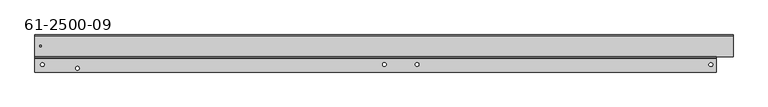
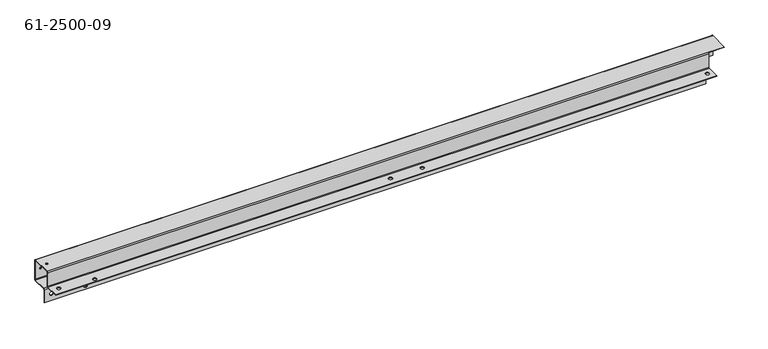
"""IFC4 building model written with IfcOpenShell, lengths in millimetres: proxy geometry, 61-2500-09."""

from ifc_helpers import new_model, si_unit, frame, origin, place, context, project, spatial, polyline, circle_curve, source, transform, mapped, element, save
from ifc_brep_helpers import plane_surface, cylinder_surface, revolved_surface, advanced_brep


def proxy_61_2500_09_136c01cd(model_context):
    return source(origin(), model_context, "Body", "AdvancedBrep", [
        advanced_brep(
        [(-18.278005, 21.3284177, -22.00656), (-18.278005, 22.1818577, -22.00656), (-24.628005, 22.1818577, -22.00656), (-24.628005, 21.3284177, -22.00656), (41.691395, 21.3284177, -28.28036), (41.691395, 22.1818577, -28.28036), (35.341395, 22.1818577, -28.28036), (35.341395, 21.3284177, -28.28036), (566.556995, 21.3284177, -21.75256), (566.556995, 22.1818577, -21.75256), (560.206995, 22.1818577, -21.75256), (560.206995, 21.3284177, -21.75256), (622.462395, 21.3284177, -21.75256), (622.462395, 22.1818577, -21.75256), (616.112395, 22.1818577, -21.75256), (616.112395, 21.3284177, -21.75256), (1124.721995, 21.3284177, -22.00656), (1124.721995, 22.1818577, -22.00656), (1118.371995, 22.1818577, -22.00656), (1118.371995, 21.3284177, -22.00656), (-18.278005, -0.6781423, 0.0), (-18.278005, -0.6781423, 0.85344), (-24.628005, -0.6781423, 0.85344), (-24.628005, -0.6781423, 0.0), (41.691395, -6.9519423, 0.0), (41.691395, -6.9519423, 0.85344), (35.341395, -6.9519423, 0.85344), (35.341395, -6.9519423, 0.0), (566.556995, -0.4241423, 0.0), (566.556995, -0.4241423, 0.85344), (560.206995, -0.4241423, 0.85344), (560.206995, -0.4241423, 0.0), (622.462395, -0.4241423, 0.0), (622.462395, -0.4241423, 0.85344), (616.112395, -0.4241423, 0.85344), (616.112395, -0.4241423, 0.0), (1124.721995, -0.6781423, 0.0), (1124.721995, -0.6781423, 0.85344), (1118.371995, -0.6781423, 0.85344), (1118.371995, -0.6781423, 0.0), (-23.101465, 31.0566177, 27.94), (-23.101465, 31.0566177, 28.79344), (-26.149465, 31.0566177, 28.79344), (-26.149465, 31.0566177, 27.94), (-23.101465, 49.2684177, 9.7536), (-23.101465, 50.1218577, 9.7536), (-26.149465, 50.1218577, 9.7536), (-26.149465, 49.2684177, 9.7536), (1159.646995, 12.8752977, 27.94), (1159.646995, 12.8752977, 28.79344), (1131.071995, 12.8752977, 28.79344), (1131.071995, 12.8752977, 27.94), (1159.646995, 50.1218577, -8.45312), (1159.646995, 49.2684177, -8.45312), (1131.071995, 49.2684177, -8.45312), (1131.071995, 50.1218577, -8.45312), (1159.646995, 48.4149777, 27.94), (1159.646995, 49.2684177, 27.08656), (1159.646995, 50.1218577, 27.08656), (1159.646995, 48.4149777, 28.79344), (-34.153005, 21.3284177, -11.01344), (1131.071995, 21.3284177, -11.01344), (1131.071995, 23.0352977, -9.30656), (-34.153005, 23.0352977, -9.30656), (-34.153005, 22.1818577, -11.01344), (-34.153005, 22.1818577, -34.70656), (-34.153005, 21.3284177, -34.70656), (1131.071995, 22.1818577, -11.01344), (1131.071995, 22.1818577, -34.70656), (1131.071995, 23.0352977, -10.16), (-34.153005, 23.0352977, -10.16), (1131.071995, 21.3284177, -34.70656), (-34.153005, 48.4149777, -9.30656), (-34.153005, 48.4149777, -10.16), (1131.071995, 48.4149777, -9.30656), (1131.071995, 48.4149777, -10.16), (-34.153005, 50.1218577, -8.45312), (-34.153005, 49.2684177, -8.45312), (-34.153005, 49.2684177, 27.08656), (-34.153005, 50.1218577, 27.08656), (-34.153005, 48.4149777, 28.79344), (-34.153005, 48.4149777, 27.94), (-34.153005, 12.8752977, 27.94), (-34.153005, 12.8752977, 28.79344), (-34.153005, 11.1684177, 27.08656), (1131.071995, 11.1684177, 27.08656), (-34.153005, 12.0218577, 27.08656), (1131.071995, 12.0218577, 27.08656), (1131.071995, 11.1684177, 1.70688), (1131.071995, 12.0218577, 1.70688), (-34.153005, 11.1684177, 1.70688), (-34.153005, 12.0218577, 1.70688), (1131.071995, 10.3149777, 0.0), (-34.153005, 10.3149777, 0.0), (1131.071995, 10.3149777, 0.85344), (-34.153005, 10.3149777, 0.85344), (-34.153005, -13.3781423, 0.0), (-34.153005, -13.3781423, 0.85344), (1131.071995, -13.3781423, 0.0), (1131.071995, -13.3781423, 0.85344)],
        [
            (0, 1),
            (1, 2, circle_curve(frame((-21.453005, 22.1818577, -22.00656), z_axis=(0.0, 1.0, 0.0), x_axis=(1.0, 0.0, 0.0)), 3.175)),
            (2, 3),
            (3, 0, circle_curve(frame((-21.453005, 21.3284177, -22.00656), z_axis=(0.0, -1.0, 0.0), x_axis=(1.0, 0.0, 0.0)), 3.175)),
            (4, 5),
            (5, 6, circle_curve(frame((38.516395, 22.1818577, -28.28036), z_axis=(0.0, 1.0, 0.0), x_axis=(1.0, 0.0, 0.0)), 3.175)),
            (6, 7),
            (7, 4, circle_curve(frame((38.516395, 21.3284177, -28.28036), z_axis=(0.0, -1.0, 0.0), x_axis=(1.0, 0.0, 0.0)), 3.175)),
            (8, 9),
            (9, 10, circle_curve(frame((563.381995, 22.1818577, -21.75256), z_axis=(0.0, 1.0, 0.0), x_axis=(1.0, 0.0, 0.0)), 3.175)),
            (10, 11),
            (11, 8, circle_curve(frame((563.381995, 21.3284177, -21.75256), z_axis=(0.0, -1.0, 0.0), x_axis=(1.0, 0.0, 0.0)), 3.175)),
            (12, 13),
            (13, 14, circle_curve(frame((619.287395, 22.1818577, -21.75256), z_axis=(0.0, 1.0, 0.0), x_axis=(1.0, 0.0, 0.0)), 3.175)),
            (14, 15),
            (15, 12, circle_curve(frame((619.287395, 21.3284177, -21.75256), z_axis=(0.0, -1.0, 0.0), x_axis=(1.0, 0.0, 0.0)), 3.175)),
            (16, 17),
            (17, 18, circle_curve(frame((1121.546995, 22.1818577, -22.00656), z_axis=(0.0, 1.0, 0.0), x_axis=(1.0, 0.0, 0.0)), 3.175)),
            (18, 19),
            (19, 16, circle_curve(frame((1121.546995, 21.3284177, -22.00656), z_axis=(0.0, -1.0, 0.0), x_axis=(1.0, 0.0, 0.0)), 3.175)),
            (20, 21),
            (21, 22, circle_curve(frame((-21.453005, -0.6781423, 0.85344), z_axis=(0.0, 0.0, 1.0), x_axis=(1.0, 0.0, 0.0)), 3.175)),
            (22, 23),
            (23, 20, circle_curve(frame((-21.453005, -0.6781423, 0.0), z_axis=(0.0, 0.0, -1.0), x_axis=(1.0, 0.0, 0.0)), 3.175)),
            (24, 25),
            (25, 26, circle_curve(frame((38.516395, -6.9519423, 0.85344), z_axis=(0.0, 0.0, 1.0), x_axis=(1.0, 0.0, 0.0)), 3.175)),
            (26, 27),
            (27, 24, circle_curve(frame((38.516395, -6.9519423, 0.0), z_axis=(0.0, 0.0, -1.0), x_axis=(1.0, 0.0, 0.0)), 3.175)),
            (28, 29),
            (29, 30, circle_curve(frame((563.381995, -0.4241423, 0.85344), z_axis=(0.0, 0.0, 1.0), x_axis=(1.0, 0.0, 0.0)), 3.175)),
            (30, 31),
            (31, 28, circle_curve(frame((563.381995, -0.4241423, 0.0), z_axis=(0.0, 0.0, -1.0), x_axis=(1.0, 0.0, 0.0)), 3.175)),
            (32, 33),
            (33, 34, circle_curve(frame((619.287395, -0.4241423, 0.85344), z_axis=(0.0, 0.0, 1.0), x_axis=(1.0, 0.0, 0.0)), 3.175)),
            (34, 35),
            (35, 32, circle_curve(frame((619.287395, -0.4241423, 0.0), z_axis=(0.0, 0.0, -1.0), x_axis=(1.0, 0.0, 0.0)), 3.175)),
            (36, 37),
            (37, 38, circle_curve(frame((1121.546995, -0.6781423, 0.85344), z_axis=(0.0, 0.0, 1.0), x_axis=(1.0, 0.0, 0.0)), 3.175)),
            (38, 39),
            (39, 36, circle_curve(frame((1121.546995, -0.6781423, 0.0), z_axis=(0.0, 0.0, -1.0), x_axis=(1.0, 0.0, 0.0)), 3.175)),
            (40, 41),
            (41, 42, circle_curve(frame((-24.625465, 31.0566177, 28.79344), z_axis=(0.0, 0.0, 1.0), x_axis=(1.0, 0.0, 0.0)), 1.524)),
            (42, 43),
            (43, 40, circle_curve(frame((-24.625465, 31.0566177, 27.94), z_axis=(0.0, 0.0, -1.0), x_axis=(1.0, 0.0, 0.0)), 1.524)),
            (44, 45),
            (45, 46, circle_curve(frame((-24.625465, 50.1218577, 9.7536), z_axis=(0.0, 1.0, 0.0), x_axis=(1.0, 0.0, 0.0)), 1.524)),
            (46, 47),
            (47, 44, circle_curve(frame((-24.625465, 49.2684177, 9.7536), z_axis=(0.0, -1.0, 0.0), x_axis=(1.0, 0.0, 0.0)), 1.524)),
            (44, 47, circle_curve(frame((-24.625465, 49.2684177, 9.7536), z_axis=(0.0, -1.0, 0.0), x_axis=(1.0, 0.0, 0.0)), 1.524)),
            (46, 45, circle_curve(frame((-24.625465, 50.1218577, 9.7536), z_axis=(0.0, 1.0, 0.0), x_axis=(1.0, 0.0, 0.0)), 1.524)),
            (40, 43, circle_curve(frame((-24.625465, 31.0566177, 27.94), z_axis=(0.0, 0.0, -1.0), x_axis=(1.0, 0.0, 0.0)), 1.524)),
            (42, 41, circle_curve(frame((-24.625465, 31.0566177, 28.79344), z_axis=(0.0, 0.0, 1.0), x_axis=(1.0, 0.0, 0.0)), 1.524)),
            (36, 39, circle_curve(frame((1121.546995, -0.6781423, 0.0), z_axis=(0.0, 0.0, -1.0), x_axis=(1.0, 0.0, 0.0)), 3.175)),
            (38, 37, circle_curve(frame((1121.546995, -0.6781423, 0.85344), z_axis=(0.0, 0.0, 1.0), x_axis=(1.0, 0.0, 0.0)), 3.175)),
            (32, 35, circle_curve(frame((619.287395, -0.4241423, 0.0), z_axis=(0.0, 0.0, -1.0), x_axis=(1.0, 0.0, 0.0)), 3.175)),
            (34, 33, circle_curve(frame((619.287395, -0.4241423, 0.85344), z_axis=(0.0, 0.0, 1.0), x_axis=(1.0, 0.0, 0.0)), 3.175)),
            (28, 31, circle_curve(frame((563.381995, -0.4241423, 0.0), z_axis=(0.0, 0.0, -1.0), x_axis=(1.0, 0.0, 0.0)), 3.175)),
            (30, 29, circle_curve(frame((563.381995, -0.4241423, 0.85344), z_axis=(0.0, 0.0, 1.0), x_axis=(1.0, 0.0, 0.0)), 3.175)),
            (24, 27, circle_curve(frame((38.516395, -6.9519423, 0.0), z_axis=(0.0, 0.0, -1.0), x_axis=(1.0, 0.0, 0.0)), 3.175)),
            (26, 25, circle_curve(frame((38.516395, -6.9519423, 0.85344), z_axis=(0.0, 0.0, 1.0), x_axis=(1.0, 0.0, 0.0)), 3.175)),
            (20, 23, circle_curve(frame((-21.453005, -0.6781423, 0.0), z_axis=(0.0, 0.0, -1.0), x_axis=(1.0, 0.0, 0.0)), 3.175)),
            (22, 21, circle_curve(frame((-21.453005, -0.6781423, 0.85344), z_axis=(0.0, 0.0, 1.0), x_axis=(1.0, 0.0, 0.0)), 3.175)),
            (16, 19, circle_curve(frame((1121.546995, 21.3284177, -22.00656), z_axis=(0.0, -1.0, 0.0), x_axis=(1.0, 0.0, 0.0)), 3.175)),
            (18, 17, circle_curve(frame((1121.546995, 22.1818577, -22.00656), z_axis=(0.0, 1.0, 0.0), x_axis=(1.0, 0.0, 0.0)), 3.175)),
            (12, 15, circle_curve(frame((619.287395, 21.3284177, -21.75256), z_axis=(0.0, -1.0, 0.0), x_axis=(1.0, 0.0, 0.0)), 3.175)),
            (14, 13, circle_curve(frame((619.287395, 22.1818577, -21.75256), z_axis=(0.0, 1.0, 0.0), x_axis=(1.0, 0.0, 0.0)), 3.175)),
            (8, 11, circle_curve(frame((563.381995, 21.3284177, -21.75256), z_axis=(0.0, -1.0, 0.0), x_axis=(1.0, 0.0, 0.0)), 3.175)),
            (10, 9, circle_curve(frame((563.381995, 22.1818577, -21.75256), z_axis=(0.0, 1.0, 0.0), x_axis=(1.0, 0.0, 0.0)), 3.175)),
            (4, 7, circle_curve(frame((38.516395, 21.3284177, -28.28036), z_axis=(0.0, -1.0, 0.0), x_axis=(1.0, 0.0, 0.0)), 3.175)),
            (6, 5, circle_curve(frame((38.516395, 22.1818577, -28.28036), z_axis=(0.0, 1.0, 0.0), x_axis=(1.0, 0.0, 0.0)), 3.175)),
            (0, 3, circle_curve(frame((-21.453005, 21.3284177, -22.00656), z_axis=(0.0, -1.0, 0.0), x_axis=(1.0, 0.0, 0.0)), 3.175)),
            (2, 1, circle_curve(frame((-21.453005, 22.1818577, -22.00656), z_axis=(0.0, 1.0, 0.0), x_axis=(1.0, 0.0, 0.0)), 3.175)),
            (48, 49),
            (49, 50),
            (50, 51),
            (51, 48),
            (52, 53),
            (53, 54),
            (54, 55),
            (55, 52),
            (56, 57, circle_curve(frame((1159.646995, 48.4149777, 27.08656), z_axis=(-1.0, 0.0, 0.0), x_axis=(0.0, 0.0, 1.0)), 0.85344)),
            (57, 53),
            (52, 58),
            (58, 59, circle_curve(frame((1159.646995, 48.4149777, 27.08656), z_axis=(1.0, 0.0, 0.0), x_axis=(0.0, 0.0, 1.0)), 1.70688)),
            (59, 49),
            (48, 56),
            (60, 61),
            (61, 62, circle_curve(frame((1131.071995, 23.0352977, -11.01344), z_axis=(-1.0, 0.0, 0.0), x_axis=(0.0, 0.0, 1.0)), 1.70688)),
            (62, 63),
            (63, 60, circle_curve(frame((-34.153005, 23.0352977, -11.01344), z_axis=(1.0, 0.0, 0.0), x_axis=(0.0, 0.0, 1.0)), 1.70688)),
            (60, 64),
            (64, 65),
            (65, 66),
            (66, 60),
            (64, 67),
            (67, 68),
            (68, 65),
            (61, 67),
            (67, 69, circle_curve(frame((1131.071995, 23.0352977, -11.01344), z_axis=(-1.0, 0.0, 0.0), x_axis=(0.0, 0.0, 1.0)), 0.85344)),
            (69, 62),
            (63, 70),
            (70, 64, circle_curve(frame((-34.153005, 23.0352977, -11.01344), z_axis=(1.0, 0.0, 0.0), x_axis=(0.0, 0.0, 1.0)), 0.85344)),
            (61, 71),
            (71, 68),
            (71, 66),
            (70, 69),
            (63, 72),
            (72, 73),
            (73, 70),
            (62, 74),
            (74, 72),
            (75, 73),
            (73, 76, circle_curve(frame((-34.153005, 48.4149777, -8.45312), z_axis=(1.0, 0.0, 0.0), x_axis=(0.0, 1.0, 0.0)), 1.70688)),
            (76, 55),
            (55, 75, circle_curve(frame((1131.071995, 48.4149777, -8.45312), z_axis=(-1.0, 0.0, 0.0), x_axis=(0.0, 1.0, 0.0)), 1.70688)),
            (69, 75),
            (75, 74),
            (72, 77, circle_curve(frame((-34.153005, 48.4149777, -8.45312), z_axis=(1.0, 0.0, 0.0), x_axis=(0.0, 1.0, 0.0)), 0.85344)),
            (77, 76),
            (54, 74, circle_curve(frame((1131.071995, 48.4149777, -8.45312), z_axis=(-1.0, 0.0, 0.0), x_axis=(0.0, 1.0, 0.0)), 0.85344)),
            (54, 77),
            (77, 78),
            (78, 79),
            (79, 76),
            (57, 78),
            (58, 79),
            (79, 80, circle_curve(frame((-34.153005, 48.4149777, 27.08656), z_axis=(1.0, 0.0, 0.0), x_axis=(0.0, 0.0, 1.0)), 1.70688)),
            (80, 59),
            (78, 81, circle_curve(frame((-34.153005, 48.4149777, 27.08656), z_axis=(1.0, 0.0, 0.0), x_axis=(0.0, 0.0, 1.0)), 0.85344)),
            (81, 80),
            (56, 81),
            (81, 82),
            (82, 83),
            (83, 80),
            (51, 82),
            (50, 83),
            (83, 84, circle_curve(frame((-34.153005, 12.8752977, 27.08656), z_axis=(1.0, 0.0, 0.0), x_axis=(0.0, -1.0, 0.0)), 1.70688)),
            (84, 85),
            (85, 50, circle_curve(frame((1131.071995, 12.8752977, 27.08656), z_axis=(-1.0, 0.0, 0.0), x_axis=(0.0, -1.0, 0.0)), 1.70688)),
            (82, 86, circle_curve(frame((-34.153005, 12.8752977, 27.08656), z_axis=(1.0, 0.0, 0.0), x_axis=(0.0, -1.0, 0.0)), 0.85344)),
            (86, 84),
            (85, 87),
            (87, 51, circle_curve(frame((1131.071995, 12.8752977, 27.08656), z_axis=(-1.0, 0.0, 0.0), x_axis=(0.0, -1.0, 0.0)), 0.85344)),
            (87, 86),
            (85, 88),
            (88, 89),
            (89, 87),
            (84, 90),
            (90, 88),
            (91, 89),
            (89, 92, circle_curve(frame((1131.071995, 10.3149777, 1.70688), z_axis=(-1.0, 0.0, 0.0), x_axis=(0.0, 0.0, -1.0)), 1.70688)),
            (92, 93),
            (93, 91, circle_curve(frame((-34.153005, 10.3149777, 1.70688), z_axis=(1.0, 0.0, 0.0), x_axis=(0.0, 0.0, -1.0)), 1.70688)),
            (86, 91),
            (91, 90),
            (88, 94, circle_curve(frame((1131.071995, 10.3149777, 1.70688), z_axis=(-1.0, 0.0, 0.0), x_axis=(0.0, 0.0, -1.0)), 0.85344)),
            (94, 92),
            (93, 95),
            (95, 90, circle_curve(frame((-34.153005, 10.3149777, 1.70688), z_axis=(1.0, 0.0, 0.0), x_axis=(0.0, 0.0, -1.0)), 0.85344)),
            (95, 94),
            (93, 96),
            (96, 97),
            (97, 95),
            (92, 98),
            (98, 96),
            (94, 99),
            (99, 98),
            (99, 97),
        ],
        [
            revolved_surface(polyline([(-18.278005, 22.18185769999991, -22.00656), (-18.278005, 21.328417700000045, -22.00656)]), (-21.453005, -1174.9910371, -22.00656), (0.0, 1.0, 0.0)),
            revolved_surface(polyline([(41.691395, 22.18185769999991, -28.28036), (41.691395, 21.328417700000045, -28.28036)]), (38.516395, -1174.9910371, -28.28036), (0.0, 1.0, 0.0)),
            revolved_surface(polyline([(566.5569949999999, 22.18185769999991, -21.75256), (566.5569949999999, 21.328417700000045, -21.75256)]), (563.381995, -1174.9910371, -21.75256), (0.0, 1.0, 0.0)),
            revolved_surface(polyline([(622.4623949999999, 22.18185769999991, -21.75256), (622.4623949999999, 21.328417700000045, -21.75256)]), (619.287395, -1174.9910371, -21.75256), (0.0, 1.0, 0.0)),
            revolved_surface(polyline([(1124.7219949999999, 22.18185769999991, -22.00656), (1124.7219949999999, 21.328417700000045, -22.00656)]), (1121.546995, -1174.9910371, -22.00656), (0.0, 1.0, 0.0)),
            revolved_surface(polyline([(-18.278005, -0.6781423, 0.8534400000000915), (-18.278005, -0.6781423, 0.0)]), (-21.453005, -0.6781423, -1196.3194548), (0.0, 0.0, 1.0)),
            revolved_surface(polyline([(41.691395, -6.9519423, 0.8534400000000915), (41.691395, -6.9519423, 0.0)]), (38.516395, -6.9519423, -1196.3194548), (0.0, 0.0, 1.0)),
            revolved_surface(polyline([(566.5569949999999, -0.4241423, 0.8534400000000915), (566.5569949999999, -0.4241423, 0.0)]), (563.381995, -0.4241423, -1196.3194548), (0.0, 0.0, 1.0)),
            revolved_surface(polyline([(622.4623949999999, -0.4241423, 0.8534400000000915), (622.4623949999999, -0.4241423, 0.0)]), (619.287395, -0.4241423, -1196.3194548), (0.0, 0.0, 1.0)),
            revolved_surface(polyline([(1124.7219949999999, -0.6781423, 0.8534400000000915), (1124.7219949999999, -0.6781423, 0.0)]), (1121.546995, -0.6781423, -1196.3194548), (0.0, 0.0, 1.0)),
            revolved_surface(polyline([(-23.101464999999997, 31.0566177, 28.79344), (-23.101464999999997, 31.0566177, 27.94)]), (-24.625465, 31.0566177, 28.36672), (0.0, 0.0, 1.0)),
            revolved_surface(polyline([(-23.101464999999997, 50.1218577, 9.7536), (-23.101464999999997, 49.2684177, 9.7536)]), (-24.625465, 49.6951377, 9.7536), (0.0, 1.0, 0.0)),
            plane_surface(frame((1131.071995, 12.8752977, 27.94), z_axis=(0.0, -1.0, 0.0), x_axis=(0.0, 0.0, -1.0))),
            plane_surface(frame((1131.071995, 50.1218577, -8.45312), z_axis=(0.0, 0.0, -1.0), x_axis=(-1.0, 0.0, 0.0))),
            plane_surface(frame((1159.646995, 49.2278225, 27.8994048), z_axis=(1.0, 0.0, 0.0), x_axis=(0.0, 0.0, -1.0))),
            cylinder_surface(frame((548.459495, 23.0352977, -11.01344), z_axis=(1.0, 0.0, 0.0), x_axis=(0.0, 0.0, 1.0)), 1.70688),
            plane_surface(frame((-34.153005, 22.1818577, -11.01344), z_axis=(-1.0, 0.0, 0.0), x_axis=(0.0, -1.0, 0.0))),
            plane_surface(frame((548.459495, 22.1818577, -21.8947821), z_axis=(0.0, 1.0, 0.0), x_axis=(1.0, 0.0, 0.0))),
            plane_surface(frame((1131.071995, 22.1818577, -11.01344), z_axis=(1.0, 0.0, 0.0), x_axis=(0.0, 0.0, -1.0))),
            plane_surface(frame((-34.153005, 21.3284177, -11.01344), z_axis=(-1.0, 0.0, 0.0), x_axis=(0.0, 0.0, 1.0))),
            plane_surface(frame((1131.071995, 22.1818577, -11.01344), z_axis=(1.0, 0.0, 0.0), x_axis=(0.0, 1.0, 0.0))),
            plane_surface(frame((1131.071995, 22.1818577, -34.70656), z_axis=(0.0, 0.0, -1.0), x_axis=(0.0, 1.0, 0.0))),
            plane_surface(frame((548.459495, 21.3284177, -21.8947821), z_axis=(0.0, -1.0, 0.0), x_axis=(1.0, 0.0, 0.0))),
            revolved_surface(polyline([(1131.071995, 23.0352977, -10.16), (-34.15300500000001, 23.0352977, -10.16)]), (548.459495, 23.0352977, -11.01344), (1.0, 0.0, 0.0)),
            plane_surface(frame((-34.153005, 48.4149777, -9.30656), z_axis=(-1.0, 0.0, 0.0), x_axis=(0.0, 1.0, 0.0))),
            plane_surface(frame((548.459495, 36.2636356, -9.30656), z_axis=(0.0, 0.0, 1.0), x_axis=(0.0, 1.0, 0.0))),
            cylinder_surface(frame((548.459495, 48.4149777, -8.45312), z_axis=(-1.0, 0.0, 0.0), x_axis=(0.0, 1.0, 0.0)), 1.70688),
            plane_surface(frame((1131.071995, 48.4149777, -9.30656), z_axis=(1.0, 0.0, 0.0), x_axis=(0.0, -1.0, 0.0))),
            plane_surface(frame((-34.153005, 48.4149777, -9.30656), z_axis=(-1.0, 0.0, 0.0), x_axis=(0.0, 0.0, 1.0))),
            plane_surface(frame((1131.071995, 48.4149777, -10.16), z_axis=(1.0, 0.0, 0.0), x_axis=(0.0, 0.0, -1.0))),
            plane_surface(frame((548.459495, 36.2636356, -10.16), z_axis=(0.0, 0.0, -1.0), x_axis=(0.0, 1.0, 0.0))),
            revolved_surface(polyline([(-34.15300500000001, 49.2684177, -8.45312), (1131.071995, 49.2684177, -8.45312)]), (548.459495, 48.4149777, -8.45312), (-1.0, 0.0, 0.0)),
            plane_surface(frame((-34.153005, 49.2684177, 27.08656), z_axis=(-1.0, 0.0, 0.0), x_axis=(0.0, 1.0, 0.0))),
            plane_surface(frame((548.459495, 49.2684177, 9.8552179), z_axis=(0.0, -1.0, 0.0), x_axis=(1.0, 0.0, 0.0))),
            cylinder_surface(frame((548.459495, 48.4149777, 27.08656), z_axis=(-1.0, 0.0, 0.0), x_axis=(0.0, 0.0, 1.0)), 1.70688),
            plane_surface(frame((-34.153005, 49.2684177, 27.08656), z_axis=(-1.0, 0.0, 0.0), x_axis=(0.0, 0.0, 1.0))),
            plane_surface(frame((548.459495, 50.1218577, 9.8552179), z_axis=(0.0, 1.0, 0.0), x_axis=(1.0, 0.0, 0.0))),
            revolved_surface(polyline([(-34.15300500000001, 48.4149777, 27.939999999999998), (1159.646995, 48.4149777, 27.939999999999998)]), (548.459495, 48.4149777, 27.08656), (-1.0, 0.0, 0.0)),
            plane_surface(frame((-34.153005, 12.8752977, 27.94), z_axis=(-1.0, 0.0, 0.0), x_axis=(0.0, 1.0, 0.0))),
            plane_surface(frame((548.459495, 30.1066398, 27.94), z_axis=(0.0, 0.0, -1.0), x_axis=(0.0, 1.0, 0.0))),
            cylinder_surface(frame((548.459495, 12.8752977, 27.08656), z_axis=(-1.0, 0.0, 0.0), x_axis=(0.0, -1.0, 0.0)), 1.70688),
            plane_surface(frame((-34.153005, 12.8752977, 27.94), z_axis=(-1.0, 0.0, 0.0), x_axis=(0.0, 0.0, 1.0))),
            plane_surface(frame((1131.071995, 12.8752977, 28.79344), z_axis=(1.0, 0.0, 0.0), x_axis=(0.0, 0.0, -1.0))),
            plane_surface(frame((548.459495, 30.1066398, 28.79344), z_axis=(0.0, 0.0, 1.0), x_axis=(0.0, 1.0, 0.0))),
            revolved_surface(polyline([(-34.15300500000001, 12.021857700000002, 27.08656), (1131.071995, 12.021857700000002, 27.08656)]), (548.459495, 12.8752977, 27.08656), (-1.0, 0.0, 0.0)),
            plane_surface(frame((1131.071995, 11.1684177, 1.70688), z_axis=(1.0, 0.0, 0.0), x_axis=(0.0, 1.0, 0.0))),
            plane_surface(frame((548.459495, 11.1684177, 13.8582221), z_axis=(0.0, -1.0, 0.0), x_axis=(1.0, 0.0, 0.0))),
            cylinder_surface(frame((548.459495, 10.3149777, 1.70688), z_axis=(1.0, 0.0, 0.0), x_axis=(0.0, 0.0, -1.0)), 1.70688),
            plane_surface(frame((-34.153005, 11.1684177, 1.70688), z_axis=(-1.0, 0.0, 0.0), x_axis=(0.0, -1.0, 0.0))),
            plane_surface(frame((1131.071995, 11.1684177, 1.70688), z_axis=(1.0, 0.0, 0.0), x_axis=(0.0, 0.0, -1.0))),
            plane_surface(frame((-34.153005, 12.0218577, 1.70688), z_axis=(-1.0, 0.0, 0.0), x_axis=(0.0, 0.0, 1.0))),
            plane_surface(frame((548.459495, 12.0218577, 13.8582221), z_axis=(0.0, 1.0, 0.0), x_axis=(1.0, 0.0, 0.0))),
            revolved_surface(polyline([(1131.071995, 10.3149777, 0.85344), (-34.15300500000001, 10.3149777, 0.85344)]), (548.459495, 10.3149777, 1.70688), (1.0, 0.0, 0.0)),
            plane_surface(frame((-34.153005, -13.3781423, 0.0), z_axis=(-1.0, 0.0, 0.0), x_axis=(0.0, 0.0, 1.0))),
            plane_surface(frame((548.459495, -0.6781423, 0.0), z_axis=(0.0, 0.0, -1.0), x_axis=(1.0, 0.0, 0.0))),
            plane_surface(frame((1131.071995, 12.0218577, 0.0), z_axis=(1.0, 0.0, 0.0), x_axis=(0.0, 0.0, -1.0))),
            plane_surface(frame((1131.071995, -13.3781423, 0.0), z_axis=(0.0, -1.0, 0.0), x_axis=(0.0, 0.0, -1.0))),
            plane_surface(frame((548.459495, -0.6781423, 0.85344), z_axis=(0.0, 0.0, 1.0), x_axis=(1.0, 0.0, 0.0))),
        ],
        [
            (0, [[1, 2, 3, 4]]),
            (1, [[5, 6, 7, 8]]),
            (2, [[9, 10, 11, 12]]),
            (3, [[13, 14, 15, 16]]),
            (4, [[17, 18, 19, 20]]),
            (5, [[21, 22, 23, 24]]),
            (6, [[25, 26, 27, 28]]),
            (7, [[29, 30, 31, 32]]),
            (8, [[33, 34, 35, 36]]),
            (9, [[37, 38, 39, 40]]),
            (10, [[41, 42, 43, 44]]),
            (11, [[45, 46, 47, 48]]),
            (11, [[-45, 49, -47, 50]]),
            (10, [[-41, 51, -43, 52]]),
            (9, [[-37, 53, -39, 54]]),
            (8, [[-33, 55, -35, 56]]),
            (7, [[-29, 57, -31, 58]]),
            (6, [[-25, 59, -27, 60]]),
            (5, [[-21, 61, -23, 62]]),
            (4, [[-17, 63, -19, 64]]),
            (3, [[-13, 65, -15, 66]]),
            (2, [[-9, 67, -11, 68]]),
            (1, [[-5, 69, -7, 70]]),
            (0, [[-1, 71, -3, 72]]),
            (12, [[73, 74, 75, 76]]),
            (13, [[77, 78, 79, 80]]),
            (14, [[81, 82, -77, 83, 84, 85, -73, 86]]),
            (15, [[87, 88, 89, 90]]),
            (16, [[91, 92, 93, 94]]),
            (17, [[95, 96, 97, -92], [-64, -18], [-66, -14], [-68, -10], [-70, -6], [-72, -2]]),
            (18, [[98, 99, 100, -88]]),
            (19, [[-91, -90, 101, 102]]),
            (20, [[-98, 103, 104, -96]]),
            (21, [[105, -93, -97, -104]]),
            (22, [[-87, -94, -105, -103], [-63, -20], [-65, -16], [-67, -12], [-69, -8], [-71, -4]]),
            (23, [[-95, -102, 106, -99]]),
            (24, [[-101, 107, 108, 109]]),
            (25, [[-89, 110, 111, -107]]),
            (26, [[112, 113, 114, 115]]),
            (27, [[-100, 116, 117, -110]]),
            (28, [[-108, 118, 119, -113]]),
            (29, [[-117, -115, -79, 120]]),
            (30, [[-106, -109, -112, -116]]),
            (31, [[-111, -120, 121, -118]]),
            (32, [[-119, 122, 123, 124]]),
            (33, [[-121, -78, -82, 125, -122], [-48, -49]]),
            (34, [[126, 127, 128, -84]]),
            (35, [[-123, 129, 130, -127]]),
            (36, [[-114, -124, -126, -83, -80], [-50, -46]]),
            (37, [[-125, -81, 131, -129]]),
            (38, [[-130, 132, 133, 134]]),
            (39, [[-131, -86, -76, 135, -132], [-44, -51]]),
            (40, [[136, 137, 138, 139]]),
            (41, [[-133, 140, 141, -137]]),
            (42, [[-75, -139, 142, 143]]),
            (43, [[-128, -134, -136, -74, -85], [-52, -42]]),
            (44, [[-135, -143, 144, -140]]),
            (45, [[-142, 145, 146, 147]]),
            (46, [[-138, 148, 149, -145]]),
            (47, [[150, 151, 152, 153]]),
            (48, [[-141, 154, 155, -148]]),
            (49, [[-146, 156, 157, -151]]),
            (50, [[-155, -153, 158, 159]]),
            (51, [[-144, -147, -150, -154]]),
            (52, [[-149, -159, 160, -156]]),
            (53, [[-158, 161, 162, 163]]),
            (54, [[-152, 164, 165, -161], [-53, -40], [-55, -36], [-57, -32], [-59, -28], [-61, -24]]),
            (55, [[-157, 166, 167, -164]]),
            (56, [[168, -162, -165, -167]]),
            (57, [[-160, -163, -168, -166], [-54, -38], [-56, -34], [-58, -30], [-60, -26], [-62, -22]]),
        ],
    ),
    ])


if __name__ == "__main__":
    model = new_model("IFC4")
    model_context = context("Model", 3, world=origin())
    ifc_project = project(units=[si_unit("LENGTHUNIT", "METRE", prefix="MILLI")], contexts=[model_context])
    site = spatial("IfcSite", under=ifc_project)
    building = spatial("IfcBuilding", under=site)
    placement = place(None, origin())
    proxy_61_2500_09_shape = proxy_61_2500_09_136c01cd(model_context)
    element("IfcBuildingElementProxy", 1, Name="61-2500-09", ObjectType="61-2500-09", at=placement, inside=building, context=model_context, shape_type="MappedRepresentation", body=[
        mapped(proxy_61_2500_09_shape, transform((0.0, 0.0, 0.0), x_axis=(1.0, 0.0, 0.0), y_axis=(0.0, 1.0, 0.0), z_axis=(0.0, 0.0, 1.0))),
    ])
    save(model, "model.ifc")
